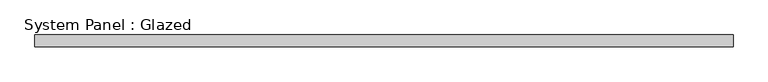
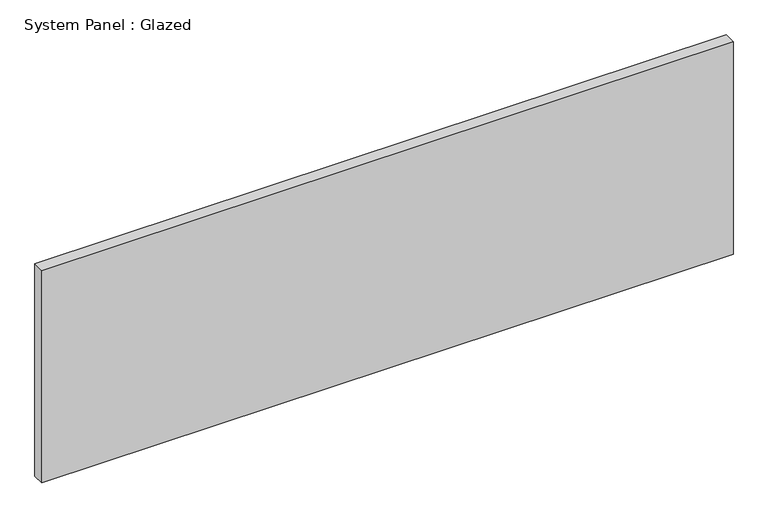
"""IFC4 building model written with IfcOpenShell, lengths in millimetres: plate geometry, System Panel : Glazed."""

from ifc_helpers import new_model, si_unit, origin, origin_with_axes, place, context, project, spatial, polyline, outline, extrude, source, transform, mapped, element, save


def system_panel_glazed_235204cd(model_context):
    return source(origin(), model_context, "Body", "SweptSolid", [
        extrude(outline(polyline([(733.5358287, -12.7), (-733.5358287, -12.7), (-733.5358287, 12.7), (733.5358287, 12.7), (733.5358287, -12.7)])), origin_with_axes(), (0.0, 0.0, 1.0), 476.25),
    ])


if __name__ == "__main__":
    model = new_model("IFC4")
    model_context = context("Model", 3, world=origin())
    ifc_project = project(units=[si_unit("LENGTHUNIT", "METRE", prefix="MILLI")], contexts=[model_context])
    site = spatial("IfcSite", under=ifc_project)
    building = spatial("IfcBuilding", under=site)
    placement = place(None, origin())
    system_panel_glazed_shape = system_panel_glazed_235204cd(model_context)
    element("IfcPlate", 1, ObjectType="System Panel : Glazed", at=placement, inside=building, context=model_context, shape_type="MappedRepresentation", body=[
        mapped(system_panel_glazed_shape, transform((0.0, 0.0, 0.0), x_axis=(1.0, 0.0, 0.0), y_axis=(0.0, 1.0, 0.0), z_axis=(0.0, 0.0, 1.0))),
    ])
    save(model, "model.ifc")
